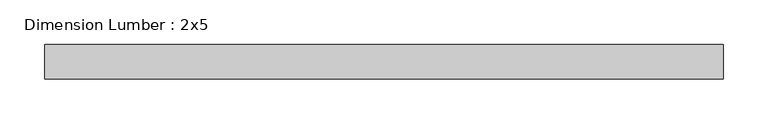
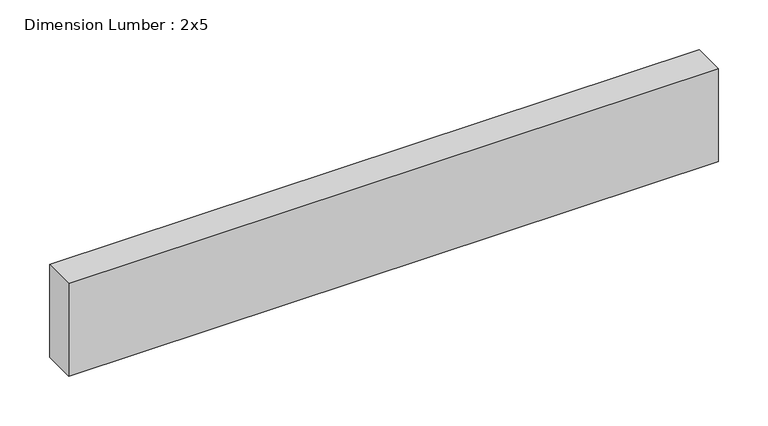
"""IFC4 building model written with IfcOpenShell, lengths in millimetres: beam geometry, Dimension Lumber : 2x5."""

from ifc_helpers import new_model, si_unit, frame, origin, place, context, project, spatial, polyline, outline, extrude, source, transform, mapped, element, save


def dimension_lumber_2x5_f039e278(model_context):
    return source(origin(), model_context, "Body", "SweptSolid", [
        extrude(outline(polyline([(377.3643572, 19.05), (377.3643572, -19.05), (-377.3643572, -19.05), (-377.3643572, 19.05), (377.3643572, 19.05)])), frame((0.0, 0.0, -57.15), z_axis=(0.0, 0.0, 1.0), x_axis=(1.0, 0.0, 0.0)), (0.0, 0.0, 1.0), 114.3),
    ])


if __name__ == "__main__":
    model = new_model("IFC4")
    model_context = context("Model", 3, world=origin())
    ifc_project = project(units=[si_unit("LENGTHUNIT", "METRE", prefix="MILLI")], contexts=[model_context])
    site = spatial("IfcSite", under=ifc_project)
    building = spatial("IfcBuilding", under=site)
    placement = place(None, origin())
    dimension_lumber_2x5_shape = dimension_lumber_2x5_f039e278(model_context)
    element("IfcBeam", 1, ObjectType="Dimension Lumber : 2x5", at=placement, inside=building, context=model_context, shape_type="MappedRepresentation", body=[
        mapped(dimension_lumber_2x5_shape, transform((0.0, 0.0, 0.0), x_axis=(1.0, 0.0, 0.0), y_axis=(0.0, 1.0, 0.0), z_axis=(0.0, 0.0, 1.0))),
    ])
    save(model, "model.ifc")
